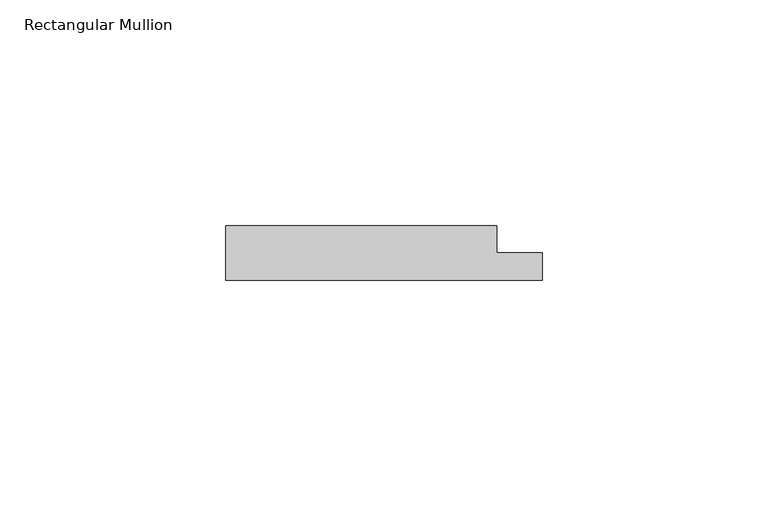
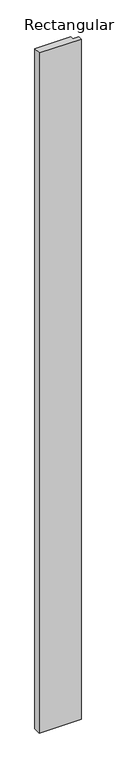
"""IFC4 building model written with IfcOpenShell, lengths in millimetres: member geometry, Rectangular Mullion."""

from ifc_helpers import new_model, si_unit, frame, origin, place, context, project, spatial, polyline, outline, extrude, source, transform, mapped, element, save


def rectangular_mullion_081f69a1(model_context):
    return source(origin(), model_context, "Body", "SweptSolid", [
        extrude(outline(polyline([(40.0, 0.0), (-30.0, 0.0), (-30.0, 12.0), (30.0, 12.0), (30.0, 6.0), (40.0, 6.0), (40.0, 0.0)])), frame((0.0, 0.0, -1200.0), z_axis=(0.0, 0.0, 1.0), x_axis=(1.0, 0.0, 0.0)), (0.0, 0.0, 1.0), 1200.0),
    ])


if __name__ == "__main__":
    model = new_model("IFC4")
    model_context = context("Model", 3, world=origin())
    ifc_project = project(units=[si_unit("LENGTHUNIT", "METRE", prefix="MILLI")], contexts=[model_context])
    site = spatial("IfcSite", under=ifc_project)
    building = spatial("IfcBuilding", under=site)
    placement = place(None, origin())
    rectangular_mullion_shape = rectangular_mullion_081f69a1(model_context)
    element("IfcMember", 1, ObjectType="Rectangular Mullion", at=placement, inside=building, context=model_context, shape_type="MappedRepresentation", body=[
        mapped(rectangular_mullion_shape, transform((0.0, 0.0, 0.0), x_axis=(1.0, 0.0, 0.0), y_axis=(0.0, 1.0, 0.0), z_axis=(0.0, 0.0, 1.0))),
    ])
    save(model, "model.ifc")
